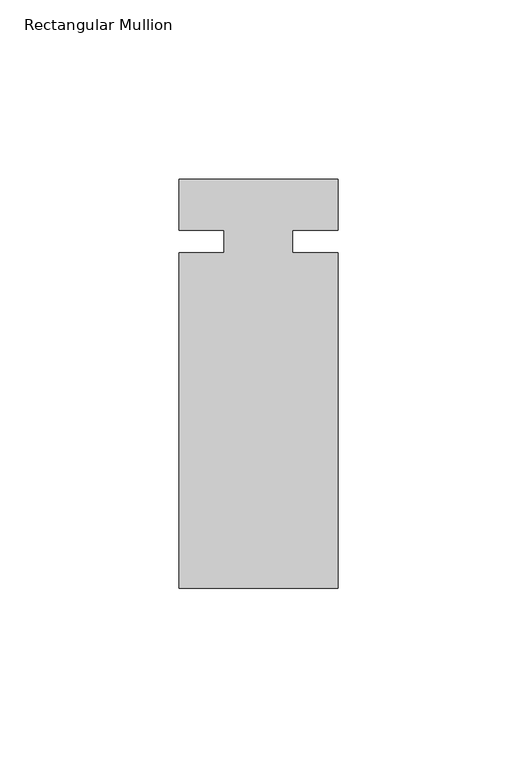
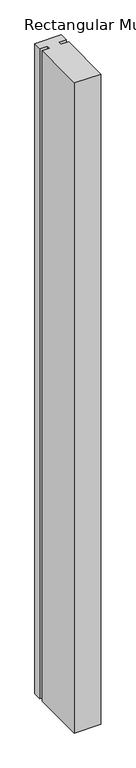
"""IFC4 building model written with IfcOpenShell, lengths in millimetres: member geometry, Rectangular Mullion."""

from ifc_helpers import new_model, si_unit, frame, origin, place, context, project, spatial, polyline, outline, extrude, source, transform, mapped, element, save


def rectangular_mullion_d603b892(model_context):
    return source(origin(), model_context, "Body", "SweptSolid", [
        extrude(outline(polyline([(26.5594027, 17.4625), (26.5594027, 3.2050658), (13.8576322, 3.2050658), (13.8576322, -3.1449342), (26.5594027, -3.1449342), (26.5594027, -96.8375), (-17.8905973, -96.8375), (-17.8905973, -3.1449342), (-5.1905973, -3.1449342), (-5.1905973, 3.2050658), (-17.8905973, 3.2050658), (-17.8905973, 17.4625), (26.5594027, 17.4625)])), frame((0.0, 0.0, -1152.525), z_axis=(0.0, 0.0, 1.0), x_axis=(1.0, 0.0, 0.0)), (0.0, 0.0, 1.0), 1152.525),
    ])


if __name__ == "__main__":
    model = new_model("IFC4")
    model_context = context("Model", 3, world=origin())
    ifc_project = project(units=[si_unit("LENGTHUNIT", "METRE", prefix="MILLI")], contexts=[model_context])
    site = spatial("IfcSite", under=ifc_project)
    building = spatial("IfcBuilding", under=site)
    placement = place(None, origin())
    rectangular_mullion_shape = rectangular_mullion_d603b892(model_context)
    element("IfcMember", 1, ObjectType="Rectangular Mullion", at=placement, inside=building, context=model_context, shape_type="MappedRepresentation", body=[
        mapped(rectangular_mullion_shape, transform((0.0, 0.0, 0.0), x_axis=(1.0, 0.0, 0.0), y_axis=(0.0, 1.0, 0.0), z_axis=(0.0, 0.0, 1.0))),
    ])
    save(model, "model.ifc")
